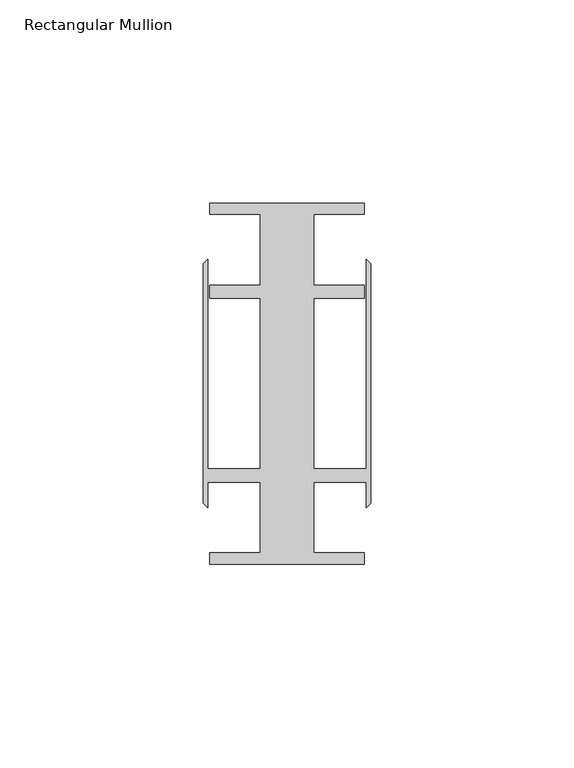
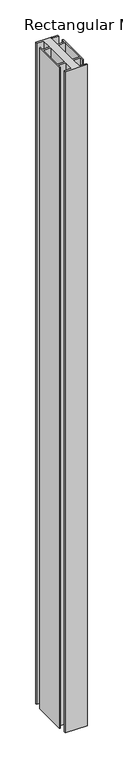
"""IFC4 building model written with IfcOpenShell, lengths in millimetres: member geometry, Rectangular Mullion."""

from ifc_helpers import new_model, si_unit, frame, origin, place, context, project, spatial, polyline, outline, extrude, source, transform, mapped, element, save


def rectangular_mullion_afc01c60(model_context):
    return source(origin(), model_context, "Body", "SweptSolid", [
        extrude(outline(polyline([(-27.2375002, 41.6500013), (-39.6875, 41.6500013), (-39.6875, 44.45), (-1.5875, 44.45), (-1.5875, 41.6500013), (-14.0374998, 41.6500013), (-14.0374998, 24.2500008), (-1.5875, 24.2500008), (-1.5875, 20.9500007), (-14.0374998, 20.9500007), (-14.0374998, -20.9500007), (-1.1450898, -20.9500007), (-1.1450898, 30.6159585), (0.0, 29.4708687), (0.0, -29.4708687), (-1.1450898, -30.6159585), (-1.1450898, -24.2500008), (-14.0374998, -24.2500008), (-14.0374998, -41.6500013), (-1.5875, -41.6500013), (-1.5875, -44.45), (-39.6875, -44.45), (-39.6875, -41.6500013), (-27.2375002, -41.6500013), (-27.2375002, -24.2500008), (-40.1299102, -24.2500008), (-40.1299102, -30.6159585), (-41.275, -29.4708687), (-41.275, 29.4708687), (-40.1299102, 30.6159585), (-40.1299102, -20.9500007), (-27.2375002, -20.9500007), (-27.2375002, 20.9500007), (-39.6875, 20.9500007), (-39.6875, 24.2500008), (-27.2375002, 24.2500008), (-27.2375002, 41.6500013)])), frame((0.0, 0.0, -1219.2), z_axis=(0.0, 0.0, 1.0), x_axis=(1.0, 0.0, 0.0)), (0.0, 0.0, 1.0), 1219.2),
    ])


if __name__ == "__main__":
    model = new_model("IFC4")
    model_context = context("Model", 3, world=origin())
    ifc_project = project(units=[si_unit("LENGTHUNIT", "METRE", prefix="MILLI")], contexts=[model_context])
    site = spatial("IfcSite", under=ifc_project)
    building = spatial("IfcBuilding", under=site)
    placement = place(None, origin())
    rectangular_mullion_shape = rectangular_mullion_afc01c60(model_context)
    element("IfcMember", 1, ObjectType="Rectangular Mullion", at=placement, inside=building, context=model_context, shape_type="MappedRepresentation", body=[
        mapped(rectangular_mullion_shape, transform((0.0, 0.0, 0.0), x_axis=(1.0, 0.0, 0.0), y_axis=(0.0, 1.0, 0.0), z_axis=(0.0, 0.0, 1.0))),
    ])
    save(model, "model.ifc")
